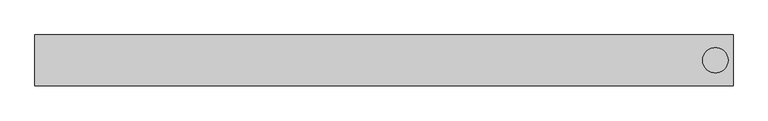
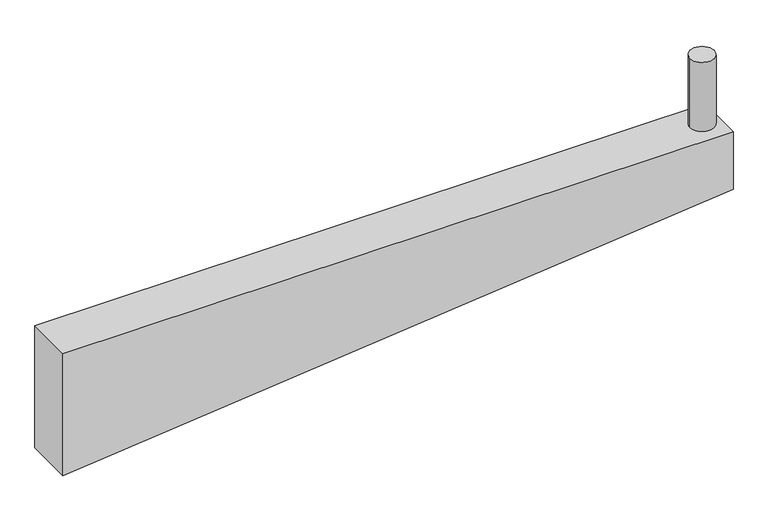
"""IFC4 building model written with IfcOpenShell, lengths in millimetres: beam geometry."""

from ifc_helpers import new_model, si_unit, point, frame, frame_2d, origin, origin_with_axes, place, context, project, spatial, polyline, circle_curve, trimmed, segment, composite_curve, outline, extrude, source, transform, mapped, element, save


def beam_da6a69fe(model_context):
    return source(origin(), model_context, "Body", "SweptSolid", [
        extrude(outline(composite_curve([segment(trimmed(circle_curve(frame_2d((1307.5, 0.0)), 50.0), [point((1257.5, 0.0))], [point((1357.5, 0.0))], False, "CARTESIAN"), True, "CONTINUOUS"), segment(trimmed(circle_curve(frame_2d((1307.5, 0.0)), 50.0), [point((1357.5, 0.0))], [point((1257.5, 0.0))], False, "CARTESIAN"), True, "CONTINUOUS")], self_intersect=False)), origin_with_axes(), (0.0, 0.0, 1.0), 300.0),
        extrude(outline(polyline([(-250.0, 1377.5), (0.0, 1377.5), (0.0, -1377.5), (-530.0, -1377.5), (-250.0, 1377.5)])), frame((0.0, -100.0, 0.0), z_axis=(0.0, 1.0, 0.0), x_axis=(0.0, 0.0, 1.0)), (0.0, 0.0, 1.0), 200.0),
    ])


if __name__ == "__main__":
    model = new_model("IFC4")
    model_context = context("Model", 3, world=origin())
    ifc_project = project(units=[si_unit("LENGTHUNIT", "METRE", prefix="MILLI")], contexts=[model_context])
    site = spatial("IfcSite", under=ifc_project)
    building = spatial("IfcBuilding", under=site)
    placement = place(None, origin())
    beam_shape = beam_da6a69fe(model_context)
    element("IfcBeam", 1, at=placement, inside=building, context=model_context, shape_type="MappedRepresentation", body=[
        mapped(beam_shape, transform((0.0, 0.0, 0.0), x_axis=(1.0, 0.0, 0.0), y_axis=(0.0, 1.0, 0.0), z_axis=(0.0, 0.0, 1.0))),
    ])
    save(model, "model.ifc")
